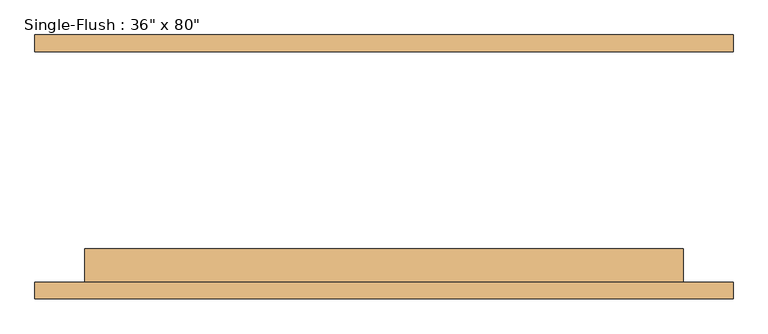
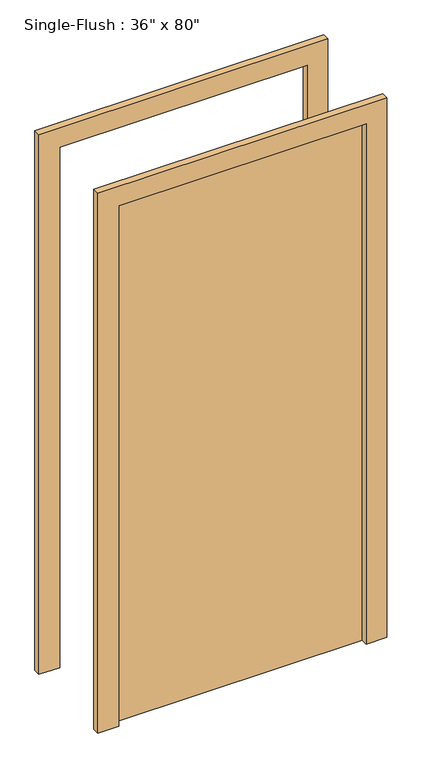
"""IFC4 building model written with IfcOpenShell, lengths in millimetres: door geometry."""

from ifc_helpers import new_model, si_unit, frame, origin, origin_with_axes, place, context, project, spatial, polyline, outline, extrude, source, transform, mapped, element, save


def door_2303d9b0(model_context):
    return source(origin(), model_context, "Body", "SweptSolid", [
        extrude(outline(polyline([(2108.2, -533.4), (0.0, -533.4), (0.0, -457.2), (2032.0, -457.2), (2032.0, 457.2), (0.0, 457.2), (0.0, 533.4), (2108.2, 533.4), (2108.2, -533.4)])), frame((0.0, -201.6125, 0.0), z_axis=(0.0, 1.0, 0.0), x_axis=(0.0, 0.0, 1.0)), (0.0, 0.0, 1.0), 25.4),
        extrude(outline(polyline([(2108.2, 533.4), (2108.2, -533.4), (0.0, -533.4), (0.0, -457.2), (2032.0, -457.2), (2032.0, 457.2), (0.0, 457.2), (0.0, 533.4), (2108.2, 533.4)])), frame((0.0, 176.2125, 0.0), z_axis=(0.0, 1.0, 0.0), x_axis=(0.0, 0.0, 1.0)), (0.0, 0.0, 1.0), 25.4),
        extrude(outline(polyline([(457.2, -125.4125), (457.2, -176.2125), (-457.2, -176.2125), (-457.2, -125.4125), (457.2, -125.4125)])), origin_with_axes(), (0.0, 0.0, 1.0), 2032.0),
    ])


if __name__ == "__main__":
    model = new_model("IFC4")
    model_context = context("Model", 3, world=origin())
    ifc_project = project(units=[si_unit("LENGTHUNIT", "METRE", prefix="MILLI")], contexts=[model_context])
    site = spatial("IfcSite", under=ifc_project)
    building = spatial("IfcBuilding", under=site)
    placement = place(None, origin())
    door_shape = door_2303d9b0(model_context)
    element("IfcDoor", 1, ObjectType="Single-Flush : 36\" x 80\"", at=placement, inside=building, context=model_context, shape_type="MappedRepresentation", body=[
        mapped(door_shape, transform((0.0, 0.0, 0.0), x_axis=(1.0, 0.0, 0.0), y_axis=(0.0, 1.0, 0.0), z_axis=(0.0, 0.0, 1.0))),
    ])
    save(model, "model.ifc")
